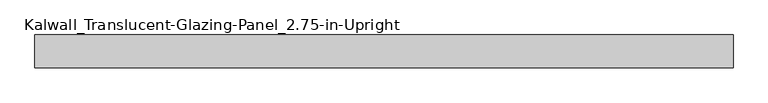
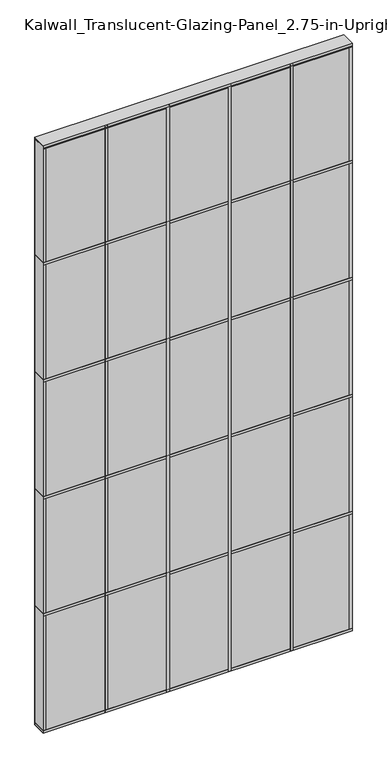
"""IFC4 building model written with IfcOpenShell, lengths in millimetres: plate geometry, Kalwall_Translucent-Glazing-Panel_2.75-in-Upright."""

from ifc_helpers import new_model, si_unit, frame, origin, origin_with_axes, place, context, project, spatial, polyline, outline, extrude, source, transform, mapped, element, save


def kalwall_translucent_glazing_panel_2_75_in_upright_a9f3fdb9(model_context):
    return source(origin(), model_context, "Body", "SweptSolid", [
        extrude(outline(polyline([(762.0, 34.925), (762.0, -34.925), (-762.0, -34.925), (-762.0, 34.925), (762.0, 34.925)])), origin_with_axes(), (0.0, 0.0, 1.0), 3054.35),
        extrude(outline(polyline([(762.0, 35.71875), (762.0, -35.71875), (-762.0, -35.71875), (-762.0, 35.71875), (762.0, 35.71875)])), frame((0.0, 0.0, 3048.0), z_axis=(0.0, 0.0, 1.0), x_axis=(1.0, 0.0, 0.0)), (0.0, 0.0, 1.0), 12.7),
        extrude(outline(polyline([(469.9, 35.71875), (469.9, -35.71875), (457.2, -35.71875), (457.2, 35.71875), (469.9, 35.71875)])), origin_with_axes(), (0.0, 0.0, 1.0), 3054.35),
        extrude(outline(polyline([(165.1, 35.71875), (165.1, -35.71875), (152.4, -35.71875), (152.4, 35.71875), (165.1, 35.71875)])), origin_with_axes(), (0.0, 0.0, 1.0), 3054.35),
        extrude(outline(polyline([(-139.7, 35.71875), (-139.7, -35.71875), (-152.4, -35.71875), (-152.4, 35.71875), (-139.7, 35.71875)])), origin_with_axes(), (0.0, 0.0, 1.0), 3054.35),
        extrude(outline(polyline([(762.0, 35.71875), (762.0, -35.71875), (-762.0, -35.71875), (-762.0, 35.71875), (762.0, 35.71875)])), frame((0.0, 0.0, 2438.4), z_axis=(0.0, 0.0, 1.0), x_axis=(1.0, 0.0, 0.0)), (0.0, 0.0, 1.0), 12.7),
        extrude(outline(polyline([(762.0, 35.71875), (762.0, -35.71875), (-762.0, -35.71875), (-762.0, 35.71875), (762.0, 35.71875)])), frame((0.0, 0.0, 1828.8), z_axis=(0.0, 0.0, 1.0), x_axis=(1.0, 0.0, 0.0)), (0.0, 0.0, 1.0), 12.7),
        extrude(outline(polyline([(762.0, 35.71875), (762.0, -35.71875), (-762.0, -35.71875), (-762.0, 35.71875), (762.0, 35.71875)])), frame((0.0, 0.0, 1219.2), z_axis=(0.0, 0.0, 1.0), x_axis=(1.0, 0.0, 0.0)), (0.0, 0.0, 1.0), 12.7),
        extrude(outline(polyline([(762.0, 35.71875), (762.0, -35.71875), (-762.0, -35.71875), (-762.0, 35.71875), (762.0, 35.71875)])), frame((0.0, 0.0, 3041.65), z_axis=(0.0, 0.0, 1.0), x_axis=(1.0, 0.0, 0.0)), (0.0, 0.0, 1.0), 12.7),
        extrude(outline(polyline([(762.0, 35.71875), (762.0, -35.71875), (-762.0, -35.71875), (-762.0, 35.71875), (762.0, 35.71875)])), frame((0.0, 0.0, 609.6), z_axis=(0.0, 0.0, 1.0), x_axis=(1.0, 0.0, 0.0)), (0.0, 0.0, 1.0), 12.7),
        extrude(outline(polyline([(762.0, 35.71875), (762.0, -35.71875), (-762.0, -35.71875), (-762.0, 35.71875), (762.0, 35.71875)])), origin_with_axes(), (0.0, 0.0, 1.0), 12.7),
        extrude(outline(polyline([(-444.5, 35.71875), (-444.5, -35.71875), (-457.2, -35.71875), (-457.2, 35.71875), (-444.5, 35.71875)])), origin_with_axes(), (0.0, 0.0, 1.0), 3054.35),
        extrude(outline(polyline([(762.0, 35.71875), (762.0, -35.71875), (749.3, -35.71875), (749.3, 35.71875), (762.0, 35.71875)])), origin_with_axes(), (0.0, 0.0, 1.0), 3054.35),
        extrude(outline(polyline([(-749.3, 35.71875), (-749.3, -35.71875), (-762.0, -35.71875), (-762.0, 35.71875), (-749.3, 35.71875)])), origin_with_axes(), (0.0, 0.0, 1.0), 3054.35),
    ])


if __name__ == "__main__":
    model = new_model("IFC4")
    model_context = context("Model", 3, world=origin())
    ifc_project = project(units=[si_unit("LENGTHUNIT", "METRE", prefix="MILLI")], contexts=[model_context])
    site = spatial("IfcSite", under=ifc_project)
    building = spatial("IfcBuilding", under=site)
    placement = place(None, origin())
    kalwall_translucent_glazing_panel_2_75_in_upright_shape = kalwall_translucent_glazing_panel_2_75_in_upright_a9f3fdb9(model_context)
    element("IfcPlate", 1, ObjectType="Kalwall_Translucent-Glazing-Panel_2.75-in-Upright", at=placement, inside=building, context=model_context, shape_type="MappedRepresentation", body=[
        mapped(kalwall_translucent_glazing_panel_2_75_in_upright_shape, transform((0.0, 0.0, 0.0), x_axis=(1.0, 0.0, 0.0), y_axis=(0.0, 1.0, 0.0), z_axis=(0.0, 0.0, 1.0))),
    ])
    save(model, "model.ifc")
